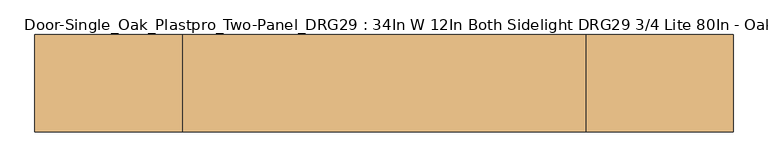
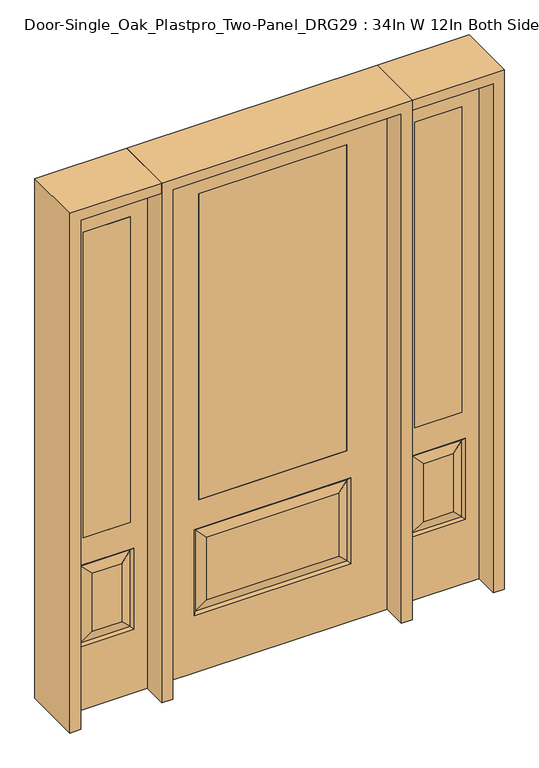
"""IFC4 building model written with IfcOpenShell, lengths in millimetres: door geometry, Door-Single_Oak_Plastpro_Two-Panel_DRG29 : 34In W 12In Both Sidelight DRG29 3/4 Lite 80In - Oak."""

import ifcopenshell
import ifcopenshell.guid

model = None  # the IFC model being written
_history = None  # IfcOwnerHistory: only IFC2X3 demands one
_inside = {}  # id of a spatial element -> (the spatial element, [elements in it])
_under = {}  # id of a project, library or spatial element -> (it, [spatial elements below it])
_declared = {}  # id of a project -> (the project, [libraries it declares])
_typed = {}  # id of a type object -> (the type object, [elements of that type])
_made_of = {}  # id of a material, layer set ... -> (it, [elements and type objects made of it])


def new_model(schema):
    """Start an empty IFC model of exactly this schema.

    Asked for "IFC4X3", IfcOpenShell would pick the latest addendum, in which some entities
    have other attributes; the version numbers below select the first issue.
    IFC2X3 requires an IfcOwnerHistory on every rooted entity: one is made here for all.
    """
    global model, _history
    if schema == "IFC4X3":
        model = ifcopenshell.file(schema_version=(4, 3, 0, 0))
    else:
        model = ifcopenshell.file(schema=schema)
    _inside.clear()
    _under.clear()
    _declared.clear()
    _typed.clear()
    _made_of.clear()
    _history = None
    if model.schema == "IFC2X3":
        org = make("IfcOrganization", Name="unknown")
        user = make(
            "IfcPersonAndOrganization",
            ThePerson=make("IfcPerson", FamilyName="unknown"),
            TheOrganization=org,
        )
        app = make(
            "IfcApplication",
            ApplicationDeveloper=org,
            Version="unknown",
            ApplicationFullName="unknown",
            ApplicationIdentifier="unknown",
        )
        _history = make(
            "IfcOwnerHistory",
            OwningUser=user,
            OwningApplication=app,
            ChangeAction="ADDED",
            CreationDate=0,
        )
    return model


def make(cls, **values):
    """One entity of the class cls with the attributes given. An attribute that is None is left unset."""
    return model.create_entity(
        cls, **{name: value for name, value in values.items() if value is not None}
    )


def rooted(cls, **values):
    """An entity with a GlobalId (a new one), such as an element, a storey or a relation."""
    return make(cls, GlobalId=ifcopenshell.guid.new(), OwnerHistory=_history, **values)


def si_unit(unit_type, name, prefix=None):
    """IfcSIUnit, for example si_unit("LENGTHUNIT", "METRE", prefix="MILLI")."""
    return make("IfcSIUnit", UnitType=unit_type, Prefix=prefix, Name=name)


def assignment(units):
    """IfcUnitAssignment: the units of a project."""
    return None if units is None else make("IfcUnitAssignment", Units=units)


def point(xyz):
    """IfcCartesianPoint."""
    return None if xyz is None else make("IfcCartesianPoint", Coordinates=xyz)


def direction(xyz):
    """IfcDirection."""
    return None if xyz is None else make("IfcDirection", DirectionRatios=xyz)


def frame(location, z_axis=None, x_axis=None):
    """IfcAxis2Placement3D, a coordinate frame: its origin and axes. An axis left out is left unset."""
    return make(
        "IfcAxis2Placement3D",
        Location=point(location),
        Axis=direction(z_axis),
        RefDirection=direction(x_axis),
    )


def origin():
    """The frame at (0, 0, 0) with its axes left unset."""
    return frame((0.0, 0.0, 0.0))


def place(relative_to, where):
    """IfcLocalPlacement: puts the frame where relative to a parent placement (None: the world)."""
    return make(
        "IfcLocalPlacement", PlacementRelTo=relative_to, RelativePlacement=where
    )


def context(
    kind, dimensions, precision=None, world=None, true_north=None, identifier=None
):
    """IfcGeometricRepresentationContext, for example the 3D "Model" context."""
    return make(
        "IfcGeometricRepresentationContext",
        ContextIdentifier=identifier,
        ContextType=kind,
        CoordinateSpaceDimension=dimensions,
        Precision=precision,
        WorldCoordinateSystem=world,
        TrueNorth=true_north,
    )


def project(units=None, contexts=None):
    """IfcProject with its units and contexts."""
    return rooted(
        "IfcProject",
        Name="project",
        RepresentationContexts=contexts,
        UnitsInContext=assignment(units),
    )


def spatial(cls, under=None, at=None, **own):
    """A site, building, storey or space (cls), placed at a placement, below another one or the project."""
    s = rooted(cls, ObjectPlacement=at, **own)
    if under is not None:
        _under.setdefault(under.id(), (under, []))[1].append(s)
    return s


def polyline(points):
    """IfcPolyline through the points."""
    return make("IfcPolyline", Points=[point(p) for p in points])


def outline(outer, holes=None, kind="AREA"):
    """IfcArbitraryClosedProfileDef: a profile drawn as a closed curve; with holes, ...WithVoids."""
    if holes is None:
        return make("IfcArbitraryClosedProfileDef", ProfileType=kind, OuterCurve=outer)
    return make(
        "IfcArbitraryProfileDefWithVoids",
        ProfileType=kind,
        OuterCurve=outer,
        InnerCurves=holes,
    )


def extrude(swept, where, along, depth):
    """IfcExtrudedAreaSolid: the profile swept, set in the frame where, extruded along a direction by depth."""
    return make(
        "IfcExtrudedAreaSolid",
        SweptArea=swept,
        Position=where,
        ExtrudedDirection=direction(along),
        Depth=depth,
    )


def faces_of(points, faces, orient=None, outer=None):
    """IfcFace entities. A face is a list of loops; a loop is a list of indices into points, from 0.

    orient and outer hold one flag for each loop. By default every Orientation is true, the
    first loop of a face is its IfcFaceOuterBound and the others are IfcFaceBound.
    """
    made = []
    for i, loops in enumerate(faces):
        bounds = []
        for j, loop in enumerate(loops):
            is_outer = j == 0 if outer is None else outer[i][j]
            bounds.append(
                make(
                    "IfcFaceOuterBound" if is_outer else "IfcFaceBound",
                    Bound=make("IfcPolyLoop", Polygon=[points[k] for k in loop]),
                    Orientation=True if orient is None else orient[i][j],
                )
            )
        made.append(make("IfcFace", Bounds=bounds))
    return made


def faceted_brep(points, faces, orient=None, outer=None, voids=None):
    """IfcFacetedBrep: a solid bounded by flat faces; with voids (closed shells), ...WithVoids."""
    shared = [point(p) for p in points]
    hull = make("IfcClosedShell", CfsFaces=faces_of(shared, faces, orient, outer))
    if voids is None:
        return make("IfcFacetedBrep", Outer=hull)
    return make(
        "IfcFacetedBrepWithVoids",
        Outer=hull,
        Voids=[
            make(cls, CfsFaces=faces_of(shared, fs, o, b)) for cls, fs, o, b in voids
        ],
    )


def shape(context_of_items, identifier, shape_type, items):
    """IfcShapeRepresentation: the items that make up one representation, for example the "Body"."""
    return make(
        "IfcShapeRepresentation",
        ContextOfItems=context_of_items,
        RepresentationIdentifier=identifier,
        RepresentationType=shape_type,
        Items=items,
    )


def source(mapping_origin, context_of_items, identifier, shape_type, items):
    """IfcRepresentationMap: a shape defined once, which mapped items show again and again."""
    return make(
        "IfcRepresentationMap",
        MappingOrigin=mapping_origin,
        MappedRepresentation=shape(context_of_items, identifier, shape_type, items),
    )


def transform(
    local_origin,
    x_axis=None,
    y_axis=None,
    z_axis=None,
    scale=None,
    scale2=None,
    scale3=None,
    uniform=True,
):
    """IfcCartesianTransformationOperator3D, or its non-uniform kind. x_axis, y_axis, z_axis: its Axis1, 2, 3."""
    if uniform:
        return make(
            "IfcCartesianTransformationOperator3D",
            Axis1=direction(x_axis),
            Axis2=direction(y_axis),
            LocalOrigin=point(local_origin),
            Scale=scale,
            Axis3=direction(z_axis),
        )
    return make(
        "IfcCartesianTransformationOperator3DnonUniform",
        Axis1=direction(x_axis),
        Axis2=direction(y_axis),
        LocalOrigin=point(local_origin),
        Scale=scale,
        Axis3=direction(z_axis),
        Scale2=scale2,
        Scale3=scale3,
    )


def mapped(mapping_source, mapping_target):
    """IfcMappedItem: shows the shape of a source again, moved by a transform."""
    return make(
        "IfcMappedItem", MappingSource=mapping_source, MappingTarget=mapping_target
    )


def made_of(thing, what):
    """Note that an element or type object is made of a material, layer set ...; save() writes the relation."""
    if what is not None:
        _made_of.setdefault(what.id(), (what, []))[1].append(thing)
    return thing


def element(
    cls,
    number,
    at=None,
    inside=None,
    cuts=None,
    type_object=None,
    material=None,
    context=None,
    identifier="Body",
    shape_type=None,
    held_by="IfcProductDefinitionShape",
    body=None,
    shapes=None,
    **own,
):
    """One element of the class cls, such as IfcWall. Its Tag is "e" and its number.

    at: its placement. inside: the storey or other place that contains it. cuts: it is an
    opening in that element (IfcRelVoidsElement). A single representation is given by context,
    identifier, shape_type and body (its items); several are given by shapes. held_by: the class
    of the entity that holds the representations. save() writes the other relations.
    """
    e = rooted(cls, Tag="e%d" % number, ObjectPlacement=at, **own)
    if body is not None:
        shapes = [shape(context, identifier, shape_type, body)]
    if shapes is not None:
        e.Representation = make(held_by, Representations=shapes)
    if inside is not None:
        _inside.setdefault(inside.id(), (inside, []))[1].append(e)
    if cuts is not None:
        rooted(
            "IfcRelVoidsElement", RelatingBuildingElement=cuts, RelatedOpeningElement=e
        )
    if type_object is not None:
        _typed.setdefault(type_object.id(), (type_object, []))[1].append(e)
    return made_of(e, material)


def aggregate(whole, parts):
    """IfcRelAggregates: a whole, such as a stair, and the parts it consists of."""
    return rooted("IfcRelAggregates", RelatingObject=whole, RelatedObjects=parts)


def save(model, path):
    """Write the relations noted so far, then the file.

    IfcRelAggregates (storeys below a building ...), IfcRelContainedInSpatialStructure (elements
    in a storey), IfcRelDefinesByType, IfcRelAssociatesMaterial and IfcRelDeclares: one each for
    every whole, place, type object, material and project.
    """
    for whole, parts in _under.values():
        aggregate(whole, parts)
    for where, things in _inside.values():
        rooted(
            "IfcRelContainedInSpatialStructure",
            RelatedElements=things,
            RelatingStructure=where,
        )
    for kind, things in _typed.values():
        rooted("IfcRelDefinesByType", RelatedObjects=things, RelatingType=kind)
    for what, things in _made_of.values():
        rooted("IfcRelAssociatesMaterial", RelatedObjects=things, RelatingMaterial=what)
    for by, libraries in _declared.values():
        rooted("IfcRelDeclares", RelatingContext=by, RelatedDefinitions=libraries)
    model.write(path)


def door_single_oak_plastpro_two_panel_drg29_34in_w_12in_both_3cf1bac2(model_context):
    return source(origin(), model_context, "Body", "SolidModel", [
        extrude(outline(polyline([(-279.4, -20.6375), (-279.4, 20.6375), (279.4, 20.6375), (279.4, -20.6375), (-279.4, -20.6375)])), frame((0.0, 0.0, 685.8), z_axis=(0.0, 0.0, 1.0), x_axis=(1.0, 0.0, 0.0)), (0.0, 0.0, 1.0), 1219.2),
        faceted_brep([(-249.1224548, -20.6375, 274.7525452), (249.1224548, -20.6375, 274.7525452), (249.1224548, -20.6375, 525.3474548), (-249.1224548, -20.6375, 525.3474548), (431.8, -20.6375, 2032.0), (-431.8, -20.6375, 2032.0), (-431.8, -20.6375, 0.0), (431.8, -20.6375, 0.0), (295.1599548, -20.6375, 228.7150452), (-295.1599548, -20.6375, 228.7150452), (-295.1599548, -20.6375, 571.3849548), (295.1599548, -20.6375, 571.3849548), (-279.4, -20.6375, 1905.0), (279.4, -20.6375, 1905.0), (279.4, -20.6375, 685.8), (-279.4, -20.6375, 685.8), (-279.4, 20.6375, 1905.0), (-279.4, 20.6375, 685.8), (279.4, 20.6375, 685.8), (249.1224548, 20.6375, 274.7525452), (-249.1224548, 20.6375, 274.7525452), (-249.1224548, 20.6375, 525.3474548), (249.1224548, 20.6375, 525.3474548), (-431.8, 20.6375, 2032.0), (431.8, 20.6375, 2032.0), (431.8, 20.6375, 0.0), (-431.8, 20.6375, 0.0), (-295.1599548, 20.6375, 228.7150452), (295.1599548, 20.6375, 228.7150452), (295.1599548, 20.6375, 571.3849548), (-295.1599548, 20.6375, 571.3849548), (279.4, 20.6375, 1905.0), (286.1796986, -11.6572439, 237.6953014), (-286.1796986, -11.6572439, 237.6953014), (-286.1796986, -11.6572439, 562.4046986), (286.1796986, -11.6572439, 562.4046986), (286.1796986, 11.6572439, 237.6953014), (-286.1796986, 11.6572439, 237.6953014), (-286.1796986, 11.6572439, 562.4046986), (286.1796986, 11.6572439, 562.4046986)], [[[0, 1, 2, 3]], [[4, 5, 6, 7], [8, 9, 10, 11], [12, 13, 14, 15]], [[16, 12, 15, 17]], [[17, 15, 14, 18]], [[19, 20, 21, 22]], [[23, 24, 25, 26], [27, 28, 29, 30], [31, 16, 17, 18]], [[13, 31, 18, 14]], [[6, 26, 25, 7]], [[5, 23, 26, 6]], [[24, 4, 7, 25]], [[32, 33, 9, 8]], [[9, 33, 34, 10]], [[10, 34, 35, 11]], [[32, 8, 11, 35]], [[33, 32, 1, 0]], [[1, 32, 35, 2]], [[34, 3, 2, 35]], [[33, 0, 3, 34]], [[36, 37, 20, 19]], [[20, 37, 38, 21]], [[21, 38, 39, 22]], [[36, 19, 22, 39]], [[37, 36, 28, 27]], [[28, 36, 39, 29]], [[38, 30, 29, 39]], [[37, 27, 30, 38]], [[12, 16, 31, 13]], [[5, 4, 24, 23]]]),
        extrude(outline(polyline([(714.375, -20.6375), (536.575, -20.6375), (536.575, 20.6375), (714.375, 20.6375), (714.375, -20.6375)])), frame((0.0, 0.0, 685.8), z_axis=(0.0, 0.0, 1.0), x_axis=(1.0, 0.0, 0.0)), (0.0, 0.0, 1.0), 1219.2),
        faceted_brep([(714.375, -20.6375, 1905.0), (536.575, -20.6375, 1905.0), (536.575, 20.6375, 1905.0), (714.375, 20.6375, 1905.0), (680.9224548, -20.6375, 531.6974548), (570.0275452, -20.6375, 531.6974548), (570.0275452, -20.6375, 300.1525452), (680.9224548, -20.6375, 300.1525452), (473.075, -20.6375, 2032.0), (473.075, -20.6375, 0.0), (777.875, -20.6375, 0.0), (777.875, -20.6375, 2032.0), (714.375, -20.6375, 685.8), (536.575, -20.6375, 685.8), (726.9599548, -20.6375, 254.1150452), (523.9900452, -20.6375, 254.1150452), (523.9900452, -20.6375, 577.7349548), (726.9599548, -20.6375, 577.7349548), (717.9796986, 11.6572439, 568.7546986), (726.9599548, 20.6375, 577.7349548), (726.9599548, 20.6375, 254.1150452), (717.9796986, 11.6572439, 263.0953014), (532.9703014, 11.6572439, 568.7546986), (523.9900452, 20.6375, 577.7349548), (680.9224548, 20.6375, 300.1525452), (680.9224548, 20.6375, 531.6974548), (714.375, 20.6375, 685.8), (536.575, 20.6375, 685.8), (532.9703014, -11.6572439, 263.0953014), (717.9796986, -11.6572439, 263.0953014), (532.9703014, -11.6572439, 568.7546986), (717.9796986, -11.6572439, 568.7546986), (473.075, 20.6375, 2032.0), (777.875, 20.6375, 2032.0), (473.075, 20.6375, 0.0), (777.875, 20.6375, 0.0), (523.9900452, 20.6375, 254.1150452), (570.0275452, 20.6375, 300.1525452), (570.0275452, 20.6375, 531.6974548), (532.9703014, 11.6572439, 263.0953014)], [[[0, 1, 2, 3]], [[4, 5, 6, 7]], [[8, 9, 10, 11], [0, 12, 13, 1], [14, 15, 16, 17]], [[18, 19, 20, 21]], [[18, 22, 23, 19]], [[21, 24, 25, 18]], [[26, 27, 13, 12]], [[7, 6, 28, 29]], [[6, 5, 30, 28]], [[29, 14, 17, 31]], [[32, 8, 11, 33]], [[34, 35, 10, 9]], [[32, 34, 9, 8]], [[11, 10, 35, 33]], [[33, 35, 34, 32], [19, 23, 36, 20], [2, 27, 26, 3]], [[24, 37, 38, 25]], [[20, 36, 39, 21]], [[36, 23, 22, 39]], [[25, 38, 22, 18]], [[39, 22, 38, 37]], [[21, 39, 37, 24]], [[3, 26, 12, 0]], [[1, 13, 27, 2]], [[31, 4, 7, 29]], [[31, 30, 5, 4]], [[17, 16, 30, 31]], [[28, 30, 16, 15]], [[29, 28, 15, 14]]]),
        extrude(outline(polyline([(-714.375, -20.6375), (-714.375, 20.6375), (-536.575, 20.6375), (-536.575, -20.6375), (-714.375, -20.6375)])), frame((0.0, 0.0, 685.8), z_axis=(0.0, 0.0, 1.0), x_axis=(1.0, 0.0, 0.0)), (0.0, 0.0, 1.0), 1219.2),
        faceted_brep([(-714.375, -20.6375, 1905.0), (-714.375, 20.6375, 1905.0), (-536.575, 20.6375, 1905.0), (-536.575, -20.6375, 1905.0), (-680.9224548, -20.6375, 531.6974548), (-680.9224548, -20.6375, 300.1525452), (-570.0275452, -20.6375, 300.1525452), (-570.0275452, -20.6375, 531.6974548), (-473.075, -20.6375, 2032.0), (-777.875, -20.6375, 2032.0), (-777.875, -20.6375, 0.0), (-473.075, -20.6375, 0.0), (-726.9599548, -20.6375, 254.1150452), (-726.9599548, -20.6375, 577.7349548), (-523.9900452, -20.6375, 577.7349548), (-523.9900452, -20.6375, 254.1150452), (-536.575, -20.6375, 685.8), (-714.375, -20.6375, 685.8), (-717.9796986, 11.6572439, 568.7546986), (-717.9796986, 11.6572439, 263.0953014), (-726.9599548, 20.6375, 254.1150452), (-726.9599548, 20.6375, 577.7349548), (-523.9900452, 20.6375, 577.7349548), (-532.9703014, 11.6572439, 568.7546986), (-680.9224548, 20.6375, 531.6974548), (-680.9224548, 20.6375, 300.1525452), (-714.375, 20.6375, 685.8), (-536.575, 20.6375, 685.8), (-717.9796986, -11.6572439, 263.0953014), (-532.9703014, -11.6572439, 263.0953014), (-532.9703014, -11.6572439, 568.7546986), (-717.9796986, -11.6572439, 568.7546986), (-473.075, 20.6375, 2032.0), (-777.875, 20.6375, 2032.0), (-473.075, 20.6375, 0.0), (-777.875, 20.6375, 0.0), (-523.9900452, 20.6375, 254.1150452), (-570.0275452, 20.6375, 531.6974548), (-570.0275452, 20.6375, 300.1525452), (-532.9703014, 11.6572439, 263.0953014)], [[[0, 1, 2, 3]], [[4, 5, 6, 7]], [[8, 9, 10, 11], [12, 13, 14, 15], [0, 3, 16, 17]], [[18, 19, 20, 21]], [[18, 21, 22, 23]], [[19, 18, 24, 25]], [[26, 17, 16, 27]], [[5, 28, 29, 6]], [[6, 29, 30, 7]], [[28, 31, 13, 12]], [[32, 33, 9, 8]], [[34, 11, 10, 35]], [[32, 8, 11, 34]], [[9, 33, 35, 10]], [[33, 32, 34, 35], [21, 20, 36, 22], [2, 1, 26, 27]], [[25, 24, 37, 38]], [[20, 19, 39, 36]], [[36, 39, 23, 22]], [[24, 18, 23, 37]], [[39, 38, 37, 23]], [[19, 25, 38, 39]], [[1, 0, 17, 26]], [[3, 2, 27, 16]], [[31, 28, 5, 4]], [[31, 4, 7, 30]], [[13, 31, 30, 14]], [[29, 15, 14, 30]], [[28, 12, 15, 29]]]),
        extrude(outline(polyline([(2032.0, -473.075), (2073.275, -473.075), (2073.275, -819.15), (0.0, -819.15), (0.0, -777.875), (2032.0, -777.875), (2032.0, -473.075)])), frame((0.0, -114.3, 0.0), z_axis=(0.0, 1.0, 0.0), x_axis=(0.0, 0.0, 1.0)), (0.0, 0.0, 1.0), 228.6),
        extrude(outline(polyline([(2073.275, -473.075), (0.0, -473.075), (0.0, -431.8), (2032.0, -431.8), (2032.0, 431.8), (0.0, 431.8), (0.0, 473.075), (2073.275, 473.075), (2073.275, -473.075)])), frame((0.0, -114.3, 0.0), z_axis=(0.0, 1.0, 0.0), x_axis=(0.0, 0.0, 1.0)), (0.0, 0.0, 1.0), 228.6),
        extrude(outline(polyline([(0.0, 777.875), (0.0, 819.15), (2073.275, 819.15), (2073.275, 473.075), (2032.0, 473.075), (2032.0, 777.875), (0.0, 777.875)])), frame((0.0, -114.3, 0.0), z_axis=(0.0, 1.0, 0.0), x_axis=(0.0, 0.0, 1.0)), (0.0, 0.0, 1.0), 228.6),
    ])


if __name__ == "__main__":
    model = new_model("IFC4")
    model_context = context("Model", 3, world=origin())
    ifc_project = project(units=[si_unit("LENGTHUNIT", "METRE", prefix="MILLI")], contexts=[model_context])
    site = spatial("IfcSite", under=ifc_project)
    building = spatial("IfcBuilding", under=site)
    placement = place(None, origin())
    door_single_oak_plastpro_two_panel_drg29_34in_w_12in_both_shape = door_single_oak_plastpro_two_panel_drg29_34in_w_12in_both_3cf1bac2(model_context)
    element("IfcDoor", 1, ObjectType="Door-Single_Oak_Plastpro_Two-Panel_DRG29 : 34In W 12In Both Sidelight DRG29 3/4 Lite 80In - Oak", at=placement, inside=building, context=model_context, shape_type="MappedRepresentation", body=[
        mapped(door_single_oak_plastpro_two_panel_drg29_34in_w_12in_both_shape, transform((0.0, 0.0, 0.0), x_axis=(1.0, 0.0, 0.0), y_axis=(0.0, 1.0, 0.0), z_axis=(0.0, 0.0, 1.0))),
    ])
    save(model, "model.ifc")
